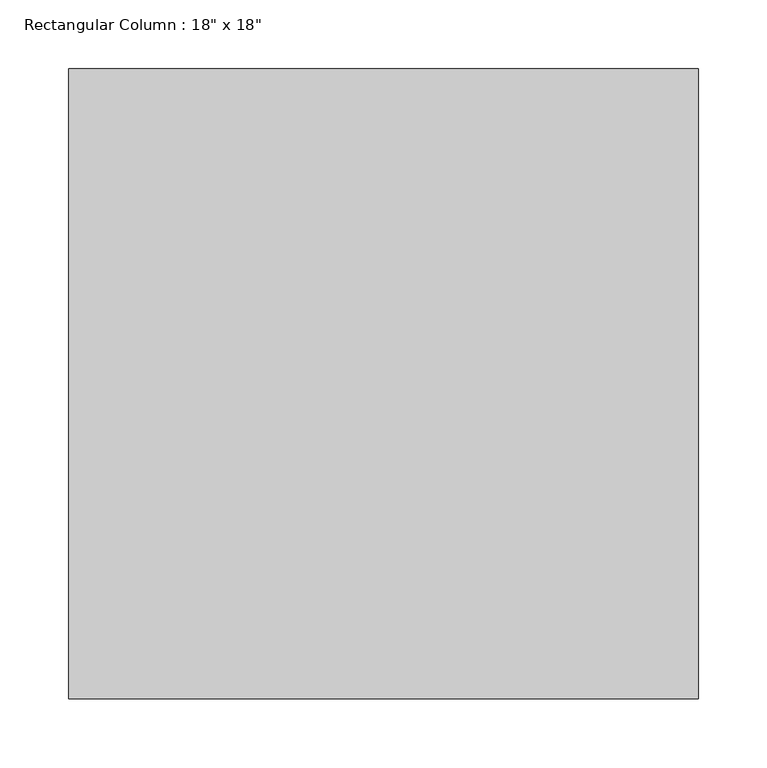
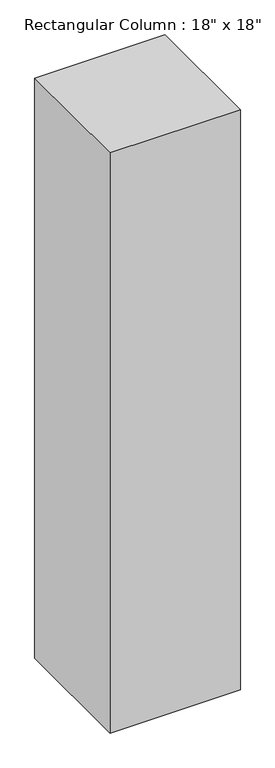
"""IFC4 building model written with IfcOpenShell, lengths in millimetres: column geometry."""

from ifc_helpers import new_model, si_unit, frame, origin, place, context, project, spatial, polyline, outline, extrude, source, transform, mapped, element, save


def column_27266adb(model_context):
    return source(origin(), model_context, "Body", "SweptSolid", [
        extrude(outline(polyline([(228.6, 228.6), (228.6, -228.6), (-228.6, -228.6), (-228.6, 228.6), (228.6, 228.6)])), frame((0.0, 0.0, 2816.2), z_axis=(0.0, 0.0, 1.0), x_axis=(1.0, 0.0, 0.0)), (0.0, 0.0, 1.0), 2151.0),
    ])


if __name__ == "__main__":
    model = new_model("IFC4")
    model_context = context("Model", 3, world=origin())
    ifc_project = project(units=[si_unit("LENGTHUNIT", "METRE", prefix="MILLI")], contexts=[model_context])
    site = spatial("IfcSite", under=ifc_project)
    building = spatial("IfcBuilding", under=site)
    placement = place(None, origin())
    column_shape = column_27266adb(model_context)
    element("IfcColumn", 1, ObjectType="Rectangular Column : 18\" x 18\"", at=placement, inside=building, context=model_context, shape_type="MappedRepresentation", body=[
        mapped(column_shape, transform((0.0, 0.0, 0.0), x_axis=(1.0, 0.0, 0.0), y_axis=(0.0, 1.0, 0.0), z_axis=(0.0, 0.0, 1.0))),
    ])
    save(model, "model.ifc")
